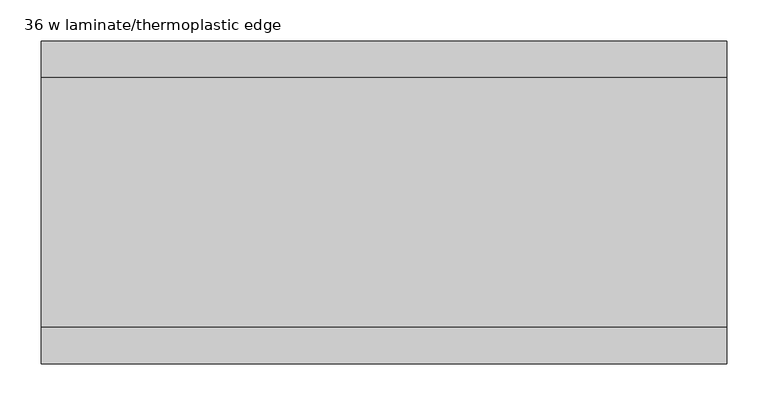
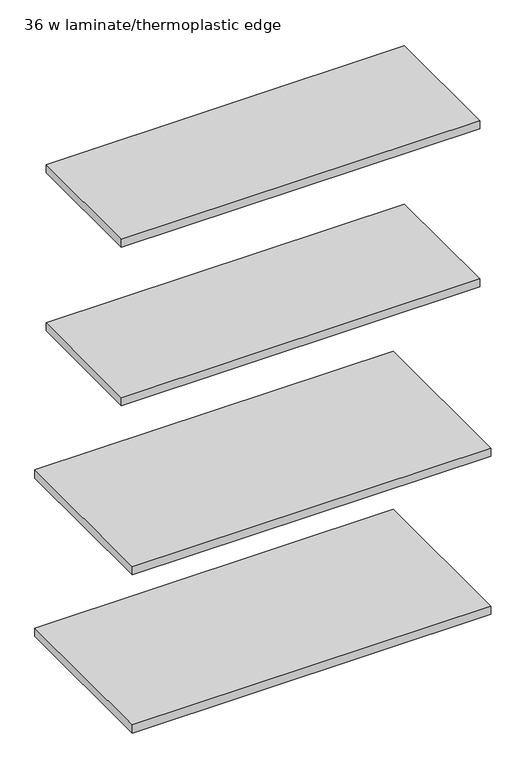
"""IFC4 building model written with IfcOpenShell, lengths in millimetres: furniture geometry, 36 w laminate/thermoplastic edge."""

from ifc_helpers import new_model, si_unit, frame, origin, place, context, project, spatial, polyline, outline, extrude, source, transform, mapped, element, save


def furniture_36_w_laminate_thermoplastic_edge_1077db07(model_context):
    return source(origin(), model_context, "Body", "SweptSolid", [
        extrude(outline(polyline([(418.0999884, -197.000003), (-418.0999884, -197.000003), (-418.0999884, 197.000003), (418.0999884, 197.000003), (418.0999884, -197.000003)])), frame((0.0, 0.0, 849.7246599), z_axis=(0.0, 0.0, 1.0), x_axis=(1.0, 0.0, 0.0)), (0.0, 0.0, 1.0), 19.9898),
        extrude(outline(polyline([(418.0999884, -197.000003), (-418.0999884, -197.000003), (-418.0999884, 197.000003), (418.0999884, 197.000003), (418.0999884, -197.000003)])), frame((0.0, 0.0, 459.5140712), z_axis=(0.0, 0.0, 1.0), x_axis=(1.0, 0.0, 0.0)), (0.0, 0.0, 1.0), 19.9898),
        extrude(outline(polyline([(418.0999884, -151.991203), (-418.0999884, -151.991203), (-418.0999884, 151.991203), (418.0999884, 151.991203), (418.0999884, -151.991203)])), frame((0.0, 0.0, 1630.1660488), z_axis=(0.0, 0.0, 1.0), x_axis=(1.0, 0.0, 0.0)), (0.0, 0.0, 1.0), 20.0000874),
        extrude(outline(polyline([(418.0999884, -151.991203), (-418.0999884, -151.991203), (-418.0999884, 151.991203), (418.0999884, 151.991203), (418.0999884, -151.991203)])), frame((0.0, 0.0, 1239.9452454), z_axis=(0.0, 0.0, 1.0), x_axis=(1.0, 0.0, 0.0)), (0.0, 0.0, 1.0), 20.0000874),
    ])


if __name__ == "__main__":
    model = new_model("IFC4")
    model_context = context("Model", 3, world=origin())
    ifc_project = project(units=[si_unit("LENGTHUNIT", "METRE", prefix="MILLI")], contexts=[model_context])
    site = spatial("IfcSite", under=ifc_project)
    building = spatial("IfcBuilding", under=site)
    placement = place(None, origin())
    furniture_36_w_laminate_thermoplastic_edge_shape = furniture_36_w_laminate_thermoplastic_edge_1077db07(model_context)
    element("IfcFurniture", 1, ObjectType="36 w laminate/thermoplastic edge", at=placement, inside=building, context=model_context, shape_type="MappedRepresentation", body=[
        mapped(furniture_36_w_laminate_thermoplastic_edge_shape, transform((0.0, 0.0, 0.0), x_axis=(1.0, 0.0, 0.0), y_axis=(0.0, 1.0, 0.0), z_axis=(0.0, 0.0, 1.0))),
    ])
    save(model, "model.ifc")
